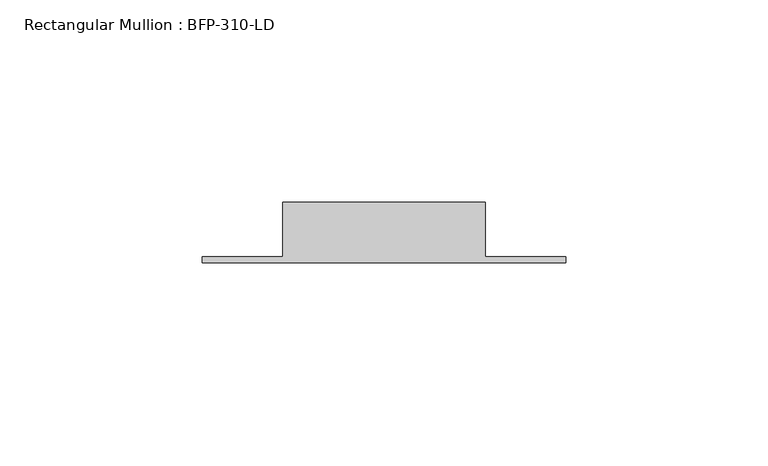
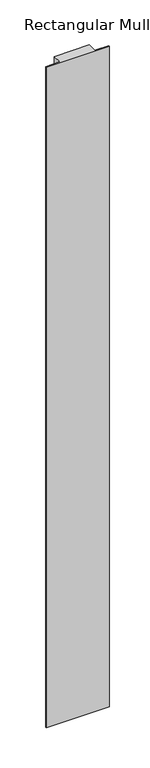
"""IFC4 building model written with IfcOpenShell, lengths in millimetres: member geometry, Rectangular Mullion : BFP-310-LD."""

import ifcopenshell
import ifcopenshell.guid

model = None  # the IFC model being written
_history = None  # IfcOwnerHistory: only IFC2X3 demands one
_inside = {}  # id of a spatial element -> (the spatial element, [elements in it])
_under = {}  # id of a project, library or spatial element -> (it, [spatial elements below it])
_declared = {}  # id of a project -> (the project, [libraries it declares])
_typed = {}  # id of a type object -> (the type object, [elements of that type])
_made_of = {}  # id of a material, layer set ... -> (it, [elements and type objects made of it])


def new_model(schema):
    """Start an empty IFC model of exactly this schema.

    Asked for "IFC4X3", IfcOpenShell would pick the latest addendum, in which some entities
    have other attributes; the version numbers below select the first issue.
    IFC2X3 requires an IfcOwnerHistory on every rooted entity: one is made here for all.
    """
    global model, _history
    if schema == "IFC4X3":
        model = ifcopenshell.file(schema_version=(4, 3, 0, 0))
    else:
        model = ifcopenshell.file(schema=schema)
    _inside.clear()
    _under.clear()
    _declared.clear()
    _typed.clear()
    _made_of.clear()
    _history = None
    if model.schema == "IFC2X3":
        org = make("IfcOrganization", Name="unknown")
        user = make(
            "IfcPersonAndOrganization",
            ThePerson=make("IfcPerson", FamilyName="unknown"),
            TheOrganization=org,
        )
        app = make(
            "IfcApplication",
            ApplicationDeveloper=org,
            Version="unknown",
            ApplicationFullName="unknown",
            ApplicationIdentifier="unknown",
        )
        _history = make(
            "IfcOwnerHistory",
            OwningUser=user,
            OwningApplication=app,
            ChangeAction="ADDED",
            CreationDate=0,
        )
    return model


def make(cls, **values):
    """One entity of the class cls with the attributes given. An attribute that is None is left unset."""
    return model.create_entity(
        cls, **{name: value for name, value in values.items() if value is not None}
    )


def rooted(cls, **values):
    """An entity with a GlobalId (a new one), such as an element, a storey or a relation."""
    return make(cls, GlobalId=ifcopenshell.guid.new(), OwnerHistory=_history, **values)


def si_unit(unit_type, name, prefix=None):
    """IfcSIUnit, for example si_unit("LENGTHUNIT", "METRE", prefix="MILLI")."""
    return make("IfcSIUnit", UnitType=unit_type, Prefix=prefix, Name=name)


def assignment(units):
    """IfcUnitAssignment: the units of a project."""
    return None if units is None else make("IfcUnitAssignment", Units=units)


def point(xyz):
    """IfcCartesianPoint."""
    return None if xyz is None else make("IfcCartesianPoint", Coordinates=xyz)


def direction(xyz):
    """IfcDirection."""
    return None if xyz is None else make("IfcDirection", DirectionRatios=xyz)


def frame(location, z_axis=None, x_axis=None):
    """IfcAxis2Placement3D, a coordinate frame: its origin and axes. An axis left out is left unset."""
    return make(
        "IfcAxis2Placement3D",
        Location=point(location),
        Axis=direction(z_axis),
        RefDirection=direction(x_axis),
    )


def origin():
    """The frame at (0, 0, 0) with its axes left unset."""
    return frame((0.0, 0.0, 0.0))


def place(relative_to, where):
    """IfcLocalPlacement: puts the frame where relative to a parent placement (None: the world)."""
    return make(
        "IfcLocalPlacement", PlacementRelTo=relative_to, RelativePlacement=where
    )


def context(
    kind, dimensions, precision=None, world=None, true_north=None, identifier=None
):
    """IfcGeometricRepresentationContext, for example the 3D "Model" context."""
    return make(
        "IfcGeometricRepresentationContext",
        ContextIdentifier=identifier,
        ContextType=kind,
        CoordinateSpaceDimension=dimensions,
        Precision=precision,
        WorldCoordinateSystem=world,
        TrueNorth=true_north,
    )


def project(units=None, contexts=None):
    """IfcProject with its units and contexts."""
    return rooted(
        "IfcProject",
        Name="project",
        RepresentationContexts=contexts,
        UnitsInContext=assignment(units),
    )


def spatial(cls, under=None, at=None, **own):
    """A site, building, storey or space (cls), placed at a placement, below another one or the project."""
    s = rooted(cls, ObjectPlacement=at, **own)
    if under is not None:
        _under.setdefault(under.id(), (under, []))[1].append(s)
    return s


def polyline(points):
    """IfcPolyline through the points."""
    return make("IfcPolyline", Points=[point(p) for p in points])


def outline(outer, holes=None, kind="AREA"):
    """IfcArbitraryClosedProfileDef: a profile drawn as a closed curve; with holes, ...WithVoids."""
    if holes is None:
        return make("IfcArbitraryClosedProfileDef", ProfileType=kind, OuterCurve=outer)
    return make(
        "IfcArbitraryProfileDefWithVoids",
        ProfileType=kind,
        OuterCurve=outer,
        InnerCurves=holes,
    )


def extrude(swept, where, along, depth):
    """IfcExtrudedAreaSolid: the profile swept, set in the frame where, extruded along a direction by depth."""
    return make(
        "IfcExtrudedAreaSolid",
        SweptArea=swept,
        Position=where,
        ExtrudedDirection=direction(along),
        Depth=depth,
    )


def shape(context_of_items, identifier, shape_type, items):
    """IfcShapeRepresentation: the items that make up one representation, for example the "Body"."""
    return make(
        "IfcShapeRepresentation",
        ContextOfItems=context_of_items,
        RepresentationIdentifier=identifier,
        RepresentationType=shape_type,
        Items=items,
    )


def source(mapping_origin, context_of_items, identifier, shape_type, items):
    """IfcRepresentationMap: a shape defined once, which mapped items show again and again."""
    return make(
        "IfcRepresentationMap",
        MappingOrigin=mapping_origin,
        MappedRepresentation=shape(context_of_items, identifier, shape_type, items),
    )


def transform(
    local_origin,
    x_axis=None,
    y_axis=None,
    z_axis=None,
    scale=None,
    scale2=None,
    scale3=None,
    uniform=True,
):
    """IfcCartesianTransformationOperator3D, or its non-uniform kind. x_axis, y_axis, z_axis: its Axis1, 2, 3."""
    if uniform:
        return make(
            "IfcCartesianTransformationOperator3D",
            Axis1=direction(x_axis),
            Axis2=direction(y_axis),
            LocalOrigin=point(local_origin),
            Scale=scale,
            Axis3=direction(z_axis),
        )
    return make(
        "IfcCartesianTransformationOperator3DnonUniform",
        Axis1=direction(x_axis),
        Axis2=direction(y_axis),
        LocalOrigin=point(local_origin),
        Scale=scale,
        Axis3=direction(z_axis),
        Scale2=scale2,
        Scale3=scale3,
    )


def mapped(mapping_source, mapping_target):
    """IfcMappedItem: shows the shape of a source again, moved by a transform."""
    return make(
        "IfcMappedItem", MappingSource=mapping_source, MappingTarget=mapping_target
    )


def made_of(thing, what):
    """Note that an element or type object is made of a material, layer set ...; save() writes the relation."""
    if what is not None:
        _made_of.setdefault(what.id(), (what, []))[1].append(thing)
    return thing


def element(
    cls,
    number,
    at=None,
    inside=None,
    cuts=None,
    type_object=None,
    material=None,
    context=None,
    identifier="Body",
    shape_type=None,
    held_by="IfcProductDefinitionShape",
    body=None,
    shapes=None,
    **own,
):
    """One element of the class cls, such as IfcWall. Its Tag is "e" and its number.

    at: its placement. inside: the storey or other place that contains it. cuts: it is an
    opening in that element (IfcRelVoidsElement). A single representation is given by context,
    identifier, shape_type and body (its items); several are given by shapes. held_by: the class
    of the entity that holds the representations. save() writes the other relations.
    """
    e = rooted(cls, Tag="e%d" % number, ObjectPlacement=at, **own)
    if body is not None:
        shapes = [shape(context, identifier, shape_type, body)]
    if shapes is not None:
        e.Representation = make(held_by, Representations=shapes)
    if inside is not None:
        _inside.setdefault(inside.id(), (inside, []))[1].append(e)
    if cuts is not None:
        rooted(
            "IfcRelVoidsElement", RelatingBuildingElement=cuts, RelatedOpeningElement=e
        )
    if type_object is not None:
        _typed.setdefault(type_object.id(), (type_object, []))[1].append(e)
    return made_of(e, material)


def aggregate(whole, parts):
    """IfcRelAggregates: a whole, such as a stair, and the parts it consists of."""
    return rooted("IfcRelAggregates", RelatingObject=whole, RelatedObjects=parts)


def save(model, path):
    """Write the relations noted so far, then the file.

    IfcRelAggregates (storeys below a building ...), IfcRelContainedInSpatialStructure (elements
    in a storey), IfcRelDefinesByType, IfcRelAssociatesMaterial and IfcRelDeclares: one each for
    every whole, place, type object, material and project.
    """
    for whole, parts in _under.values():
        aggregate(whole, parts)
    for where, things in _inside.values():
        rooted(
            "IfcRelContainedInSpatialStructure",
            RelatedElements=things,
            RelatingStructure=where,
        )
    for kind, things in _typed.values():
        rooted("IfcRelDefinesByType", RelatedObjects=things, RelatingType=kind)
    for what, things in _made_of.values():
        rooted("IfcRelAssociatesMaterial", RelatedObjects=things, RelatingMaterial=what)
    for by, libraries in _declared.values():
        rooted("IfcRelDeclares", RelatingContext=by, RelatedDefinitions=libraries)
    model.write(path)


def rectangular_mullion_bfp_310_ld_53cdf2d2(model_context):
    return source(origin(), model_context, "Body", "SweptSolid", [
        extrude(outline(polyline([(-70.0, 17.0), (-20.0, 17.0), (-20.0, 3.5), (0.0, 3.5), (0.0, 2.0), (-90.0, 2.0), (-90.0, 3.5), (-70.0, 3.5), (-70.0, 17.0)])), frame((0.0, 0.0, -1000.0), z_axis=(0.0, 0.0, 1.0), x_axis=(1.0, 0.0, 0.0)), (0.0, 0.0, 1.0), 1000.0),
    ])


if __name__ == "__main__":
    model = new_model("IFC4")
    model_context = context("Model", 3, world=origin())
    ifc_project = project(units=[si_unit("LENGTHUNIT", "METRE", prefix="MILLI")], contexts=[model_context])
    site = spatial("IfcSite", under=ifc_project)
    building = spatial("IfcBuilding", under=site)
    placement = place(None, origin())
    rectangular_mullion_bfp_310_ld_shape = rectangular_mullion_bfp_310_ld_53cdf2d2(model_context)
    element("IfcMember", 1, ObjectType="Rectangular Mullion : BFP-310-LD", at=placement, inside=building, context=model_context, shape_type="MappedRepresentation", body=[
        mapped(rectangular_mullion_bfp_310_ld_shape, transform((0.0, 0.0, 0.0), x_axis=(1.0, 0.0, 0.0), y_axis=(0.0, 1.0, 0.0), z_axis=(0.0, 0.0, 1.0))),
    ])
    save(model, "model.ifc")
